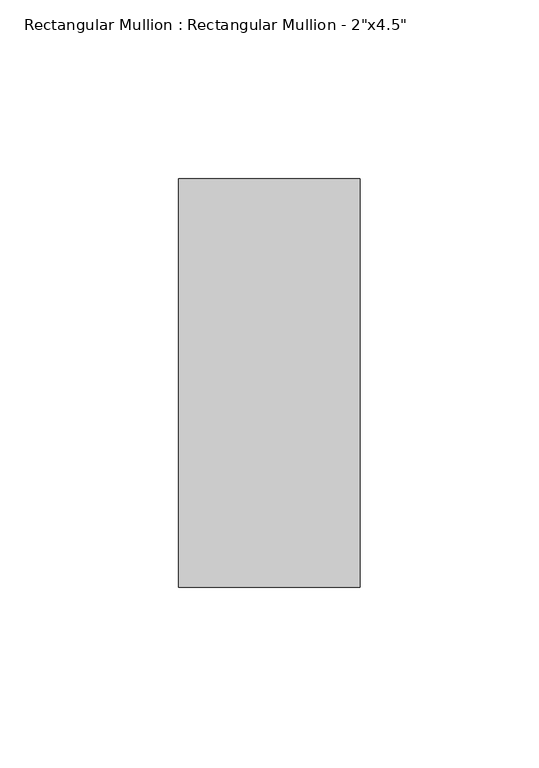
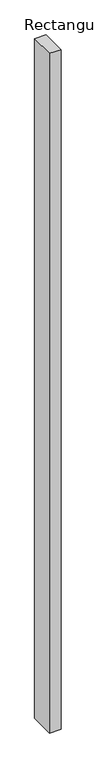
"""IFC4 building model written with IfcOpenShell, lengths in millimetres: member geometry."""

import ifcopenshell
import ifcopenshell.guid

model = None  # the IFC model being written
_history = None  # IfcOwnerHistory: only IFC2X3 demands one
_inside = {}  # id of a spatial element -> (the spatial element, [elements in it])
_under = {}  # id of a project, library or spatial element -> (it, [spatial elements below it])
_declared = {}  # id of a project -> (the project, [libraries it declares])
_typed = {}  # id of a type object -> (the type object, [elements of that type])
_made_of = {}  # id of a material, layer set ... -> (it, [elements and type objects made of it])


def new_model(schema):
    """Start an empty IFC model of exactly this schema.

    Asked for "IFC4X3", IfcOpenShell would pick the latest addendum, in which some entities
    have other attributes; the version numbers below select the first issue.
    IFC2X3 requires an IfcOwnerHistory on every rooted entity: one is made here for all.
    """
    global model, _history
    if schema == "IFC4X3":
        model = ifcopenshell.file(schema_version=(4, 3, 0, 0))
    else:
        model = ifcopenshell.file(schema=schema)
    _inside.clear()
    _under.clear()
    _declared.clear()
    _typed.clear()
    _made_of.clear()
    _history = None
    if model.schema == "IFC2X3":
        org = make("IfcOrganization", Name="unknown")
        user = make(
            "IfcPersonAndOrganization",
            ThePerson=make("IfcPerson", FamilyName="unknown"),
            TheOrganization=org,
        )
        app = make(
            "IfcApplication",
            ApplicationDeveloper=org,
            Version="unknown",
            ApplicationFullName="unknown",
            ApplicationIdentifier="unknown",
        )
        _history = make(
            "IfcOwnerHistory",
            OwningUser=user,
            OwningApplication=app,
            ChangeAction="ADDED",
            CreationDate=0,
        )
    return model


def make(cls, **values):
    """One entity of the class cls with the attributes given. An attribute that is None is left unset."""
    return model.create_entity(
        cls, **{name: value for name, value in values.items() if value is not None}
    )


def rooted(cls, **values):
    """An entity with a GlobalId (a new one), such as an element, a storey or a relation."""
    return make(cls, GlobalId=ifcopenshell.guid.new(), OwnerHistory=_history, **values)


def si_unit(unit_type, name, prefix=None):
    """IfcSIUnit, for example si_unit("LENGTHUNIT", "METRE", prefix="MILLI")."""
    return make("IfcSIUnit", UnitType=unit_type, Prefix=prefix, Name=name)


def assignment(units):
    """IfcUnitAssignment: the units of a project."""
    return None if units is None else make("IfcUnitAssignment", Units=units)


def point(xyz):
    """IfcCartesianPoint."""
    return None if xyz is None else make("IfcCartesianPoint", Coordinates=xyz)


def direction(xyz):
    """IfcDirection."""
    return None if xyz is None else make("IfcDirection", DirectionRatios=xyz)


def frame(location, z_axis=None, x_axis=None):
    """IfcAxis2Placement3D, a coordinate frame: its origin and axes. An axis left out is left unset."""
    return make(
        "IfcAxis2Placement3D",
        Location=point(location),
        Axis=direction(z_axis),
        RefDirection=direction(x_axis),
    )


def origin():
    """The frame at (0, 0, 0) with its axes left unset."""
    return frame((0.0, 0.0, 0.0))


def place(relative_to, where):
    """IfcLocalPlacement: puts the frame where relative to a parent placement (None: the world)."""
    return make(
        "IfcLocalPlacement", PlacementRelTo=relative_to, RelativePlacement=where
    )


def context(
    kind, dimensions, precision=None, world=None, true_north=None, identifier=None
):
    """IfcGeometricRepresentationContext, for example the 3D "Model" context."""
    return make(
        "IfcGeometricRepresentationContext",
        ContextIdentifier=identifier,
        ContextType=kind,
        CoordinateSpaceDimension=dimensions,
        Precision=precision,
        WorldCoordinateSystem=world,
        TrueNorth=true_north,
    )


def project(units=None, contexts=None):
    """IfcProject with its units and contexts."""
    return rooted(
        "IfcProject",
        Name="project",
        RepresentationContexts=contexts,
        UnitsInContext=assignment(units),
    )


def spatial(cls, under=None, at=None, **own):
    """A site, building, storey or space (cls), placed at a placement, below another one or the project."""
    s = rooted(cls, ObjectPlacement=at, **own)
    if under is not None:
        _under.setdefault(under.id(), (under, []))[1].append(s)
    return s


def polyline(points):
    """IfcPolyline through the points."""
    return make("IfcPolyline", Points=[point(p) for p in points])


def outline(outer, holes=None, kind="AREA"):
    """IfcArbitraryClosedProfileDef: a profile drawn as a closed curve; with holes, ...WithVoids."""
    if holes is None:
        return make("IfcArbitraryClosedProfileDef", ProfileType=kind, OuterCurve=outer)
    return make(
        "IfcArbitraryProfileDefWithVoids",
        ProfileType=kind,
        OuterCurve=outer,
        InnerCurves=holes,
    )


def extrude(swept, where, along, depth):
    """IfcExtrudedAreaSolid: the profile swept, set in the frame where, extruded along a direction by depth."""
    return make(
        "IfcExtrudedAreaSolid",
        SweptArea=swept,
        Position=where,
        ExtrudedDirection=direction(along),
        Depth=depth,
    )


def shape(context_of_items, identifier, shape_type, items):
    """IfcShapeRepresentation: the items that make up one representation, for example the "Body"."""
    return make(
        "IfcShapeRepresentation",
        ContextOfItems=context_of_items,
        RepresentationIdentifier=identifier,
        RepresentationType=shape_type,
        Items=items,
    )


def source(mapping_origin, context_of_items, identifier, shape_type, items):
    """IfcRepresentationMap: a shape defined once, which mapped items show again and again."""
    return make(
        "IfcRepresentationMap",
        MappingOrigin=mapping_origin,
        MappedRepresentation=shape(context_of_items, identifier, shape_type, items),
    )


def transform(
    local_origin,
    x_axis=None,
    y_axis=None,
    z_axis=None,
    scale=None,
    scale2=None,
    scale3=None,
    uniform=True,
):
    """IfcCartesianTransformationOperator3D, or its non-uniform kind. x_axis, y_axis, z_axis: its Axis1, 2, 3."""
    if uniform:
        return make(
            "IfcCartesianTransformationOperator3D",
            Axis1=direction(x_axis),
            Axis2=direction(y_axis),
            LocalOrigin=point(local_origin),
            Scale=scale,
            Axis3=direction(z_axis),
        )
    return make(
        "IfcCartesianTransformationOperator3DnonUniform",
        Axis1=direction(x_axis),
        Axis2=direction(y_axis),
        LocalOrigin=point(local_origin),
        Scale=scale,
        Axis3=direction(z_axis),
        Scale2=scale2,
        Scale3=scale3,
    )


def mapped(mapping_source, mapping_target):
    """IfcMappedItem: shows the shape of a source again, moved by a transform."""
    return make(
        "IfcMappedItem", MappingSource=mapping_source, MappingTarget=mapping_target
    )


def made_of(thing, what):
    """Note that an element or type object is made of a material, layer set ...; save() writes the relation."""
    if what is not None:
        _made_of.setdefault(what.id(), (what, []))[1].append(thing)
    return thing


def element(
    cls,
    number,
    at=None,
    inside=None,
    cuts=None,
    type_object=None,
    material=None,
    context=None,
    identifier="Body",
    shape_type=None,
    held_by="IfcProductDefinitionShape",
    body=None,
    shapes=None,
    **own,
):
    """One element of the class cls, such as IfcWall. Its Tag is "e" and its number.

    at: its placement. inside: the storey or other place that contains it. cuts: it is an
    opening in that element (IfcRelVoidsElement). A single representation is given by context,
    identifier, shape_type and body (its items); several are given by shapes. held_by: the class
    of the entity that holds the representations. save() writes the other relations.
    """
    e = rooted(cls, Tag="e%d" % number, ObjectPlacement=at, **own)
    if body is not None:
        shapes = [shape(context, identifier, shape_type, body)]
    if shapes is not None:
        e.Representation = make(held_by, Representations=shapes)
    if inside is not None:
        _inside.setdefault(inside.id(), (inside, []))[1].append(e)
    if cuts is not None:
        rooted(
            "IfcRelVoidsElement", RelatingBuildingElement=cuts, RelatedOpeningElement=e
        )
    if type_object is not None:
        _typed.setdefault(type_object.id(), (type_object, []))[1].append(e)
    return made_of(e, material)


def aggregate(whole, parts):
    """IfcRelAggregates: a whole, such as a stair, and the parts it consists of."""
    return rooted("IfcRelAggregates", RelatingObject=whole, RelatedObjects=parts)


def save(model, path):
    """Write the relations noted so far, then the file.

    IfcRelAggregates (storeys below a building ...), IfcRelContainedInSpatialStructure (elements
    in a storey), IfcRelDefinesByType, IfcRelAssociatesMaterial and IfcRelDeclares: one each for
    every whole, place, type object, material and project.
    """
    for whole, parts in _under.values():
        aggregate(whole, parts)
    for where, things in _inside.values():
        rooted(
            "IfcRelContainedInSpatialStructure",
            RelatedElements=things,
            RelatingStructure=where,
        )
    for kind, things in _typed.values():
        rooted("IfcRelDefinesByType", RelatedObjects=things, RelatingType=kind)
    for what, things in _made_of.values():
        rooted("IfcRelAssociatesMaterial", RelatedObjects=things, RelatingMaterial=what)
    for by, libraries in _declared.values():
        rooted("IfcRelDeclares", RelatingContext=by, RelatedDefinitions=libraries)
    model.write(path)


def member_59600e31(model_context):
    return source(origin(), model_context, "Body", "SweptSolid", [
        extrude(outline(polyline([(0.0, 57.15), (0.0, -57.15), (-50.8, -57.15), (-50.8, 57.15), (0.0, 57.15)])), frame((0.0, 0.0, -3200.4), z_axis=(0.0, 0.0, 1.0), x_axis=(1.0, 0.0, 0.0)), (0.0, 0.0, 1.0), 3200.4),
    ])


if __name__ == "__main__":
    model = new_model("IFC4")
    model_context = context("Model", 3, world=origin())
    ifc_project = project(units=[si_unit("LENGTHUNIT", "METRE", prefix="MILLI")], contexts=[model_context])
    site = spatial("IfcSite", under=ifc_project)
    building = spatial("IfcBuilding", under=site)
    placement = place(None, origin())
    member_shape = member_59600e31(model_context)
    element("IfcMember", 1, ObjectType="Rectangular Mullion : Rectangular Mullion - 2\"x4.5\"", at=placement, inside=building, context=model_context, shape_type="MappedRepresentation", body=[
        mapped(member_shape, transform((0.0, 0.0, 0.0), x_axis=(1.0, 0.0, 0.0), y_axis=(0.0, 1.0, 0.0), z_axis=(0.0, 0.0, 1.0))),
    ])
    save(model, "model.ifc")
